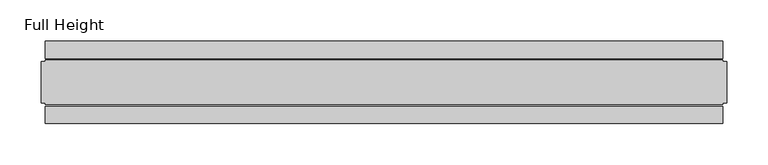
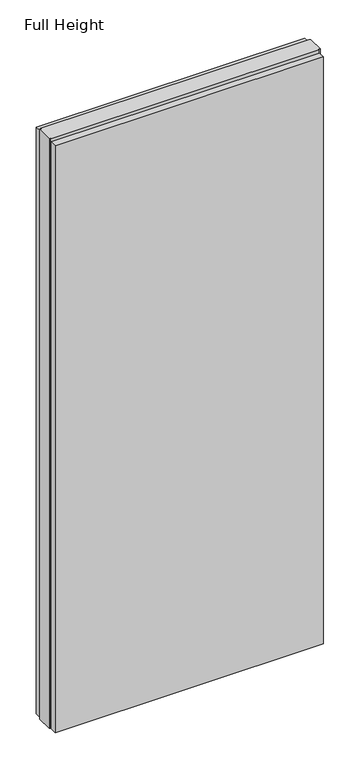
"""IFC4 building model written with IfcOpenShell, lengths in millimetres: plate geometry, Full Height."""

from ifc_helpers import new_model, si_unit, origin, origin_with_axes, place, context, project, spatial, polyline, outline, extrude, source, transform, mapped, element, save


def full_height_77b58074(model_context):
    return source(origin(), model_context, "Body", "SweptSolid", [
        extrude(outline(polyline([(408.1698428, -28.956), (408.1698428, -49.53), (-408.1698428, -49.53), (-408.1698428, -28.956), (408.1698428, -28.956)])), origin_with_axes(), (0.0, 0.0, 1.0), 1889.252),
        extrude(outline(polyline([(408.1698428, 28.956), (-408.1698428, 28.956), (-408.1698428, 49.53), (408.1698428, 49.53), (408.1698428, 28.956)])), origin_with_axes(), (0.0, 0.0, 1.0), 1889.252),
        extrude(outline(polyline([(408.1698428, 25.146), (412.7418428, 25.146), (412.7418428, -25.146), (408.1698428, -25.146), (408.1698428, -26.67), (-408.1698428, -26.67), (-408.1698428, -25.146), (-412.7418428, -25.146), (-412.7418428, 25.146), (-408.1698428, 25.146), (-408.1698428, 26.67), (408.1698428, 26.67), (408.1698428, 25.146)])), origin_with_axes(), (0.0, 0.0, 1.0), 1898.396),
    ])


if __name__ == "__main__":
    model = new_model("IFC4")
    model_context = context("Model", 3, world=origin())
    ifc_project = project(units=[si_unit("LENGTHUNIT", "METRE", prefix="MILLI")], contexts=[model_context])
    site = spatial("IfcSite", under=ifc_project)
    building = spatial("IfcBuilding", under=site)
    placement = place(None, origin())
    full_height_shape = full_height_77b58074(model_context)
    element("IfcPlate", 1, ObjectType="Full Height", at=placement, inside=building, context=model_context, shape_type="MappedRepresentation", body=[
        mapped(full_height_shape, transform((0.0, 0.0, 0.0), x_axis=(1.0, 0.0, 0.0), y_axis=(0.0, 1.0, 0.0), z_axis=(0.0, 0.0, 1.0))),
    ])
    save(model, "model.ifc")
